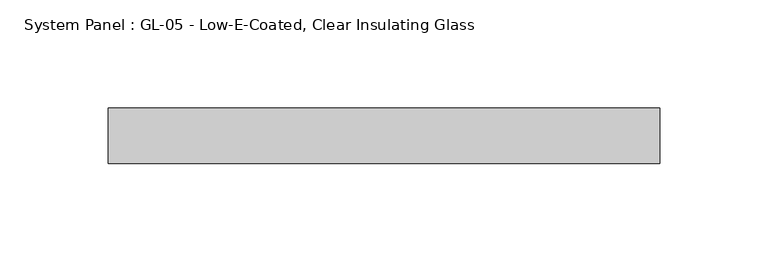
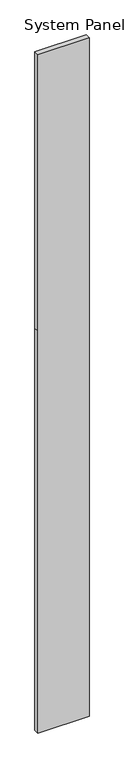
"""IFC4 building model written with IfcOpenShell, lengths in millimetres: plate geometry, System Panel : GL-05 - Low-E-Coated, Clear Insulating Glass."""

from ifc_helpers import new_model, si_unit, frame, origin, place, context, project, spatial, polyline, outline, extrude, source, transform, mapped, element, save


def system_panel_gl_05_low_e_coated_clear_insulating_glass_ebd3a8c1(model_context):
    return source(origin(), model_context, "Body", "SweptSolid", [
        extrude(outline(polyline([(0.0, -127.0), (0.0, 127.0), (2108.2, 127.0), (3556.0, 127.0), (3556.0, -127.0), (2108.2, -127.0), (0.0, -127.0)])), frame((0.0, -12.7, 0.0), z_axis=(0.0, 1.0, 0.0), x_axis=(0.0, 0.0, 1.0)), (0.0, 0.0, 1.0), 25.4),
    ])


if __name__ == "__main__":
    model = new_model("IFC4")
    model_context = context("Model", 3, world=origin())
    ifc_project = project(units=[si_unit("LENGTHUNIT", "METRE", prefix="MILLI")], contexts=[model_context])
    site = spatial("IfcSite", under=ifc_project)
    building = spatial("IfcBuilding", under=site)
    placement = place(None, origin())
    system_panel_gl_05_low_e_coated_clear_insulating_glass_shape = system_panel_gl_05_low_e_coated_clear_insulating_glass_ebd3a8c1(model_context)
    element("IfcPlate", 1, ObjectType="System Panel : GL-05 - Low-E-Coated, Clear Insulating Glass", at=placement, inside=building, context=model_context, shape_type="MappedRepresentation", body=[
        mapped(system_panel_gl_05_low_e_coated_clear_insulating_glass_shape, transform((0.0, 0.0, 0.0), x_axis=(1.0, 0.0, 0.0), y_axis=(0.0, 1.0, 0.0), z_axis=(0.0, 0.0, 1.0))),
    ])
    save(model, "model.ifc")
